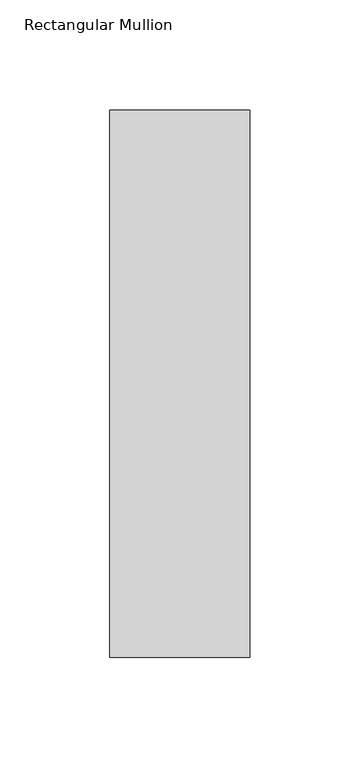
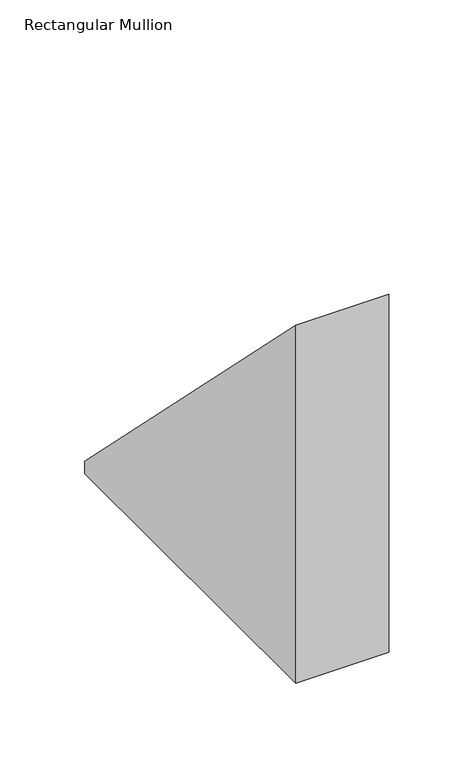
"""IFC4 building model written with IfcOpenShell, lengths in millimetres: member geometry, Rectangular Mullion."""

from ifc_helpers import new_model, si_unit, frame, origin, place, context, project, spatial, polyline, outline, extrude, source, transform, mapped, element, save


def rectangular_mullion_19a692a5(model_context):
    return source(origin(), model_context, "Body", "SweptSolid", [
        extrude(outline(polyline([(46.7447302, -46.7447302), (295.9695312, -295.9695312), (295.9695312, -304.76825), (46.7447302, -304.76825), (46.7447302, -46.7447302)])), frame((-63.5, 0.0, 0.0), z_axis=(1.0, 0.0, 0.0), x_axis=(0.0, 1.0, 0.0)), (0.0, 0.0, 1.0), 63.5),
    ])


if __name__ == "__main__":
    model = new_model("IFC4")
    model_context = context("Model", 3, world=origin())
    ifc_project = project(units=[si_unit("LENGTHUNIT", "METRE", prefix="MILLI")], contexts=[model_context])
    site = spatial("IfcSite", under=ifc_project)
    building = spatial("IfcBuilding", under=site)
    placement = place(None, origin())
    rectangular_mullion_shape = rectangular_mullion_19a692a5(model_context)
    element("IfcMember", 1, ObjectType="Rectangular Mullion", at=placement, inside=building, context=model_context, shape_type="MappedRepresentation", body=[
        mapped(rectangular_mullion_shape, transform((0.0, 0.0, 0.0), x_axis=(1.0, 0.0, 0.0), y_axis=(0.0, 1.0, 0.0), z_axis=(0.0, 0.0, 1.0))),
    ])
    save(model, "model.ifc")
